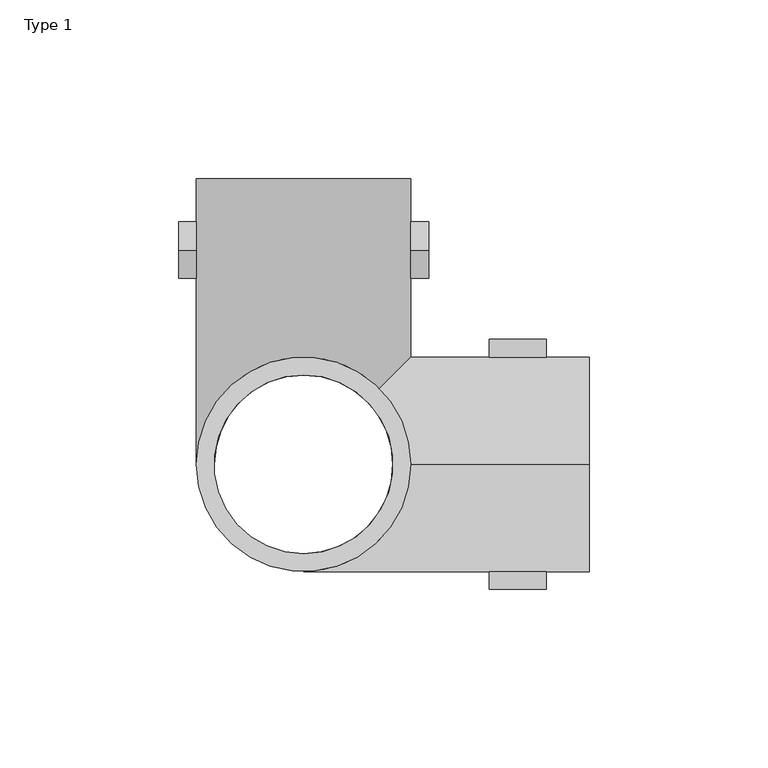
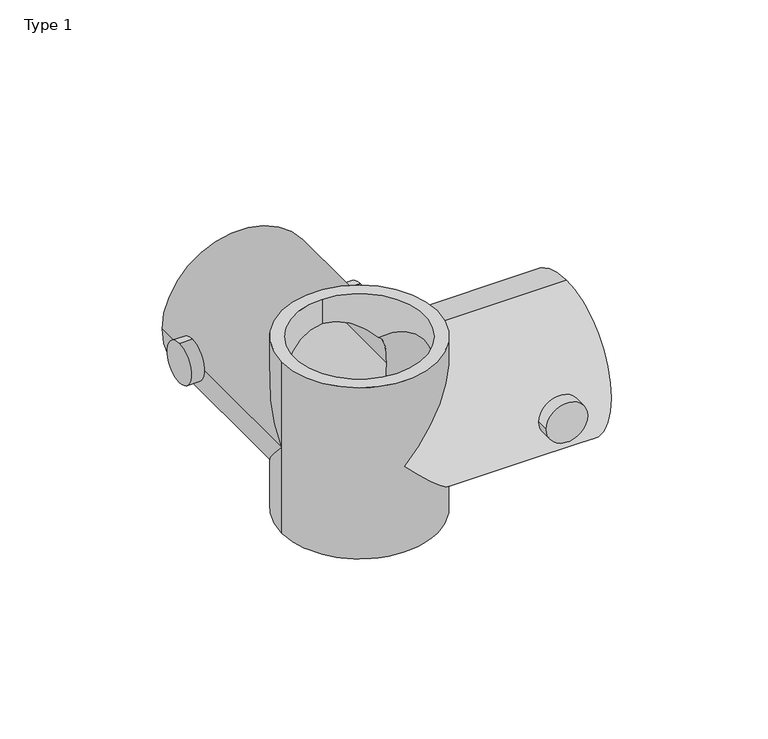
"""IFC4 building model written with IfcOpenShell, lengths in millimetres: proxy geometry, Type 1."""

from ifc_helpers import new_model, si_unit, point, frame, frame_2d, origin, origin_with_axes, place, context, project, spatial, polyline, circle_curve, ellipse_curve, trimmed, segment, composite_curve, outline, extrude, source, transform, mapped, element, save
from ifc_brep_helpers import plane_surface, cylinder_surface, revolved_surface, advanced_brep


def type_1_cea6ad23(model_context):
    return source(origin(), model_context, "Body", "SolidModel", [
        extrude(outline(composite_curve([segment(trimmed(circle_curve(frame_2d((60.0, 35.0)), 8.0), [point((60.0, 43.0))], [point((60.0, 27.0))], False, "CARTESIAN"), True, "CONTINUOUS"), segment(trimmed(circle_curve(frame_2d((60.0, 35.0)), 8.0), [point((60.0, 27.0))], [point((60.0, 43.0))], False, "CARTESIAN"), True, "CONTINUOUS")], self_intersect=False)), frame((30.0, 0.0, 0.0), z_axis=(1.0, 0.0, 0.0), x_axis=(0.0, 1.0, 0.0)), (0.0, 0.0, 1.0), 5.0),
        extrude(outline(composite_curve([segment(trimmed(circle_curve(frame_2d((60.0, 35.0)), 8.0), [point((60.0, 43.0))], [point((60.0, 27.0))], False, "CARTESIAN"), True, "CONTINUOUS"), segment(trimmed(circle_curve(frame_2d((60.0, 35.0)), 8.0), [point((60.0, 27.0))], [point((60.0, 43.0))], False, "CARTESIAN"), True, "CONTINUOUS")], self_intersect=False)), frame((-35.0, 0.0, 0.0), z_axis=(1.0, 0.0, 0.0), x_axis=(0.0, 1.0, 0.0)), (0.0, 0.0, 1.0), 5.0),
        extrude(outline(composite_curve([segment(trimmed(circle_curve(frame_2d((35.0, 60.0)), 8.0), [point((35.0, 52.0))], [point((35.0, 68.0))], False, "CARTESIAN"), True, "CONTINUOUS"), segment(trimmed(circle_curve(frame_2d((35.0, 60.0)), 8.0), [point((35.0, 68.0))], [point((35.0, 52.0))], False, "CARTESIAN"), True, "CONTINUOUS")], self_intersect=False)), frame((0.0, 30.0, 0.0), z_axis=(0.0, 1.0, 0.0), x_axis=(0.0, 0.0, 1.0)), (0.0, 0.0, 1.0), 5.0),
        extrude(outline(composite_curve([segment(trimmed(circle_curve(frame_2d((35.0, 60.0)), 8.0), [point((35.0, 52.0))], [point((35.0, 68.0))], False, "CARTESIAN"), True, "CONTINUOUS"), segment(trimmed(circle_curve(frame_2d((35.0, 60.0)), 8.0), [point((35.0, 68.0))], [point((35.0, 52.0))], False, "CARTESIAN"), True, "CONTINUOUS")], self_intersect=False)), frame((0.0, -35.0, 0.0), z_axis=(0.0, 1.0, 0.0), x_axis=(0.0, 0.0, 1.0)), (0.0, 0.0, 1.0), 5.0),
        advanced_brep(
        [(-30.0, 0.0, 70.0), (30.0, 0.0, 70.0), (0.0, -25.0, 70.0), (0.0, 25.0, 70.0), (-30.0, 0.0, 0.0), (30.0, 0.0, 0.0), (0.0, 25.0, 0.0), (0.0, -25.0, 0.0), (-30.0, 0.0, 35.0), (30.0, 0.0, 5.0), (0.0, -30.0, 35.0), (30.0, 0.0, 65.0), (21.2132034, 21.2132034, 56.2132034), (21.2132034, 21.2132034, 13.7867966), (80.0, 0.0, 5.0), (80.0, 0.0, 65.0), (80.0, 0.0, 60.0), (80.0, 0.0, 10.0), (30.0, 30.0, 35.0), (30.0, 80.0, 35.0), (-30.0, 80.0, 35.0), (-25.0, 80.0, 35.0), (25.0, 80.0, 35.0), (25.0, 0.0, 60.0), (17.6776695, 17.6776695, 52.6776695), (25.0, 25.0, 35.0), (17.6776695, 17.6776695, 17.3223305), (25.0, 0.0, 10.0), (0.0, -25.0, 35.0), (-25.0, 0.0, 35.0), (0.0, 25.0, 10.0), (0.0, 25.0, 60.0)],
        [
            (0, 1, circle_curve(frame((0.0, 0.0, 70.0), z_axis=(0.0, 0.0, 1.0), x_axis=(1.0, 0.0, 0.0)), 30.0)),
            (1, 0, circle_curve(frame((0.0, 0.0, 70.0), z_axis=(0.0, 0.0, 1.0), x_axis=(1.0, 0.0, 0.0)), 30.0)),
            (2, 3, circle_curve(frame((0.0, 0.0, 70.0), z_axis=(0.0, 0.0, -1.0), x_axis=(0.0, 1.0, 0.0)), 25.0)),
            (3, 2, circle_curve(frame((0.0, 0.0, 70.0), z_axis=(0.0, 0.0, -1.0), x_axis=(0.0, 1.0, 0.0)), 25.0)),
            (4, 5, circle_curve(frame((0.0, 0.0, 0.0), z_axis=(0.0, 0.0, -1.0), x_axis=(1.0, 0.0, 0.0)), 30.0)),
            (5, 4, circle_curve(frame((0.0, 0.0, 0.0), z_axis=(0.0, 0.0, -1.0), x_axis=(1.0, 0.0, 0.0)), 30.0)),
            (6, 7, circle_curve(frame((0.0, 0.0, 0.0), z_axis=(0.0, 0.0, 1.0), x_axis=(0.0, 1.0, 0.0)), 25.0)),
            (7, 6, circle_curve(frame((0.0, 0.0, 0.0), z_axis=(0.0, 0.0, 1.0), x_axis=(0.0, 1.0, 0.0)), 25.0)),
            (0, 8),
            (8, 4),
            (5, 9),
            (9, 10, ellipse_curve(frame((0.0, 0.0, 35.0), z_axis=(-0.707106781186548, 0.0, -0.7071067811865469), x_axis=(-0.7071067811865468, 0.0, 0.7071067811865481)), 42.4264069, 30.0)),
            (10, 11, ellipse_curve(frame((0.0, 0.0, 35.0), z_axis=(-0.707106781186547, 0.0, 0.707106781186548), x_axis=(0.707106781186548, 0.0, 0.7071067811865469)), 42.4264069, 30.0)),
            (11, 1),
            (11, 12, ellipse_curve(frame((0.0, 0.0, 35.0), z_axis=(-0.707106781186547, 0.0, 0.707106781186548), x_axis=(0.707106781186548, 0.0, 0.7071067811865469)), 42.4264069, 30.0)),
            (12, 8, ellipse_curve(frame((0.0, 0.0, 35.0), z_axis=(0.0, -0.70710678118655, 0.7071067811865451), x_axis=(0.0, 0.7071067811865452, 0.7071067811865499)), 42.4264069, 30.0)),
            (8, 13, ellipse_curve(frame((0.0, 0.0, 35.0), z_axis=(0.0, -0.7071067811865451, -0.7071067811865499), x_axis=(0.0, -0.70710678118655, 0.7071067811865451)), 42.4264069, 30.0)),
            (13, 9, ellipse_curve(frame((0.0, 0.0, 35.0), z_axis=(-0.707106781186548, 0.0, -0.7071067811865469), x_axis=(-0.7071067811865468, 0.0, 0.7071067811865481)), 42.4264069, 30.0)),
            (14, 15, circle_curve(frame((80.0, 0.0, 35.0), z_axis=(1.0, 0.0, 0.0), x_axis=(0.0, 0.0, 1.0)), 30.0)),
            (15, 14, circle_curve(frame((80.0, 0.0, 35.0), z_axis=(1.0, 0.0, 0.0), x_axis=(0.0, 0.0, 1.0)), 30.0)),
            (16, 17, circle_curve(frame((80.0, 0.0, 35.0), z_axis=(-1.0, 0.0, 0.0), x_axis=(0.0, 0.0, -1.0)), 25.0)),
            (17, 16, circle_curve(frame((80.0, 0.0, 35.0), z_axis=(-1.0, 0.0, 0.0), x_axis=(0.0, 0.0, -1.0)), 25.0)),
            (14, 9),
            (13, 18, ellipse_curve(frame((0.0, 0.0, 35.0), z_axis=(0.7071067811865464, -0.7071067811865487, 0.0), x_axis=(0.7071067811865487, 0.7071067811865464, 0.0)), 42.4264069, 30.0)),
            (18, 12, ellipse_curve(frame((0.0, 0.0, 35.0), z_axis=(0.7071067811865464, -0.7071067811865487, 0.0), x_axis=(0.7071067811865487, 0.7071067811865464, 0.0)), 42.4264069, 30.0)),
            (11, 15),
            (19, 20, circle_curve(frame((0.0, 80.0, 35.0), z_axis=(0.0, 1.0, 0.0), x_axis=(-1.0, 0.0, 0.0)), 30.0)),
            (20, 19, circle_curve(frame((0.0, 80.0, 35.0), z_axis=(0.0, 1.0, 0.0), x_axis=(-1.0, 0.0, 0.0)), 30.0)),
            (21, 22, circle_curve(frame((0.0, 80.0, 35.0), z_axis=(0.0, -1.0, 0.0), x_axis=(1.0, 0.0, 0.0)), 25.0)),
            (22, 21, circle_curve(frame((0.0, 80.0, 35.0), z_axis=(0.0, -1.0, 0.0), x_axis=(1.0, 0.0, 0.0)), 25.0)),
            (19, 18),
            (8, 20),
            (16, 23),
            (23, 24, ellipse_curve(frame((0.0, 0.0, 35.0), z_axis=(-0.707106781186547, 0.0, 0.707106781186548), x_axis=(-0.707106781186548, 0.0, -0.7071067811865469)), 35.3553391, 25.0)),
            (24, 25, ellipse_curve(frame((0.0, 0.0, 35.0), z_axis=(-0.7071067811865464, 0.7071067811865487, 0.0), x_axis=(-0.7071067811865487, -0.7071067811865464, 0.0)), 35.3553391, 25.0)),
            (25, 26, ellipse_curve(frame((0.0, 0.0, 35.0), z_axis=(-0.7071067811865464, 0.7071067811865487, 0.0), x_axis=(-0.7071067811865487, -0.7071067811865464, 0.0)), 35.3553391, 25.0)),
            (26, 27, ellipse_curve(frame((0.0, 0.0, 35.0), z_axis=(-0.707106781186548, 0.0, -0.7071067811865469), x_axis=(-0.707106781186547, 0.0, 0.707106781186548)), 35.3553391, 25.0)),
            (27, 17),
            (27, 28, ellipse_curve(frame((0.0, 0.0, 35.0), z_axis=(-0.707106781186548, 0.0, -0.7071067811865469), x_axis=(-0.707106781186547, 0.0, 0.707106781186548)), 35.3553391, 25.0)),
            (28, 23, ellipse_curve(frame((0.0, 0.0, 35.0), z_axis=(-0.707106781186547, 0.0, 0.707106781186548), x_axis=(-0.707106781186548, 0.0, -0.7071067811865469)), 35.3553391, 25.0)),
            (21, 29),
            (29, 30, ellipse_curve(frame((0.0, 0.0, 35.0), z_axis=(0.0, -0.7071067811865451, -0.7071067811865499), x_axis=(0.0, -0.7071067811865498, 0.7071067811865451)), 35.3553391, 25.0)),
            (30, 26, ellipse_curve(frame((0.0, 0.0, 35.0), z_axis=(0.0, -0.7071067811865451, -0.7071067811865499), x_axis=(0.0, -0.7071067811865498, 0.7071067811865451)), 35.3553391, 25.0)),
            (25, 22),
            (24, 31, ellipse_curve(frame((0.0, 0.0, 35.0), z_axis=(0.0, -0.70710678118655, 0.7071067811865451), x_axis=(0.0, -0.7071067811865449, -0.70710678118655)), 35.3553391, 25.0)),
            (31, 29, ellipse_curve(frame((0.0, 0.0, 35.0), z_axis=(0.0, -0.70710678118655, 0.7071067811865451), x_axis=(0.0, -0.7071067811865449, -0.70710678118655)), 35.3553391, 25.0)),
            (2, 28),
            (28, 7),
            (6, 30),
            (31, 3),
        ],
        [
            plane_surface(frame((30.0, 0.0, 70.0), z_axis=(0.0, 0.0, 1.0), x_axis=(0.0, 1.0, 0.0))),
            plane_surface(frame((30.0, 0.0, 0.0), z_axis=(0.0, 0.0, -1.0), x_axis=(0.0, -1.0, 0.0))),
            cylinder_surface(origin_with_axes(), 30.0),
            plane_surface(frame((80.0, 0.0, 65.0), z_axis=(1.0, 0.0, 0.0), x_axis=(0.0, -1.0, 0.0))),
            cylinder_surface(frame((0.0, 0.0, 35.0), z_axis=(1.0, 0.0, 0.0), x_axis=(0.0, 0.0, 1.0)), 30.0),
            plane_surface(frame((-30.0, 80.0, 35.0), z_axis=(0.0, 1.0, 0.0), x_axis=(0.0, 0.0, 1.0))),
            cylinder_surface(frame((0.0, 0.0, 35.0), z_axis=(0.0, 1.0, 0.0), x_axis=(-1.0, 0.0, 0.0)), 30.0),
            revolved_surface(polyline([(-25.000000028759928, 0.0, 10.0), (80.0, 0.0, 10.0)]), (80.0, 0.0, 35.0), (-1.0, 0.0, 0.0)),
            revolved_surface(polyline([(-25.0000000287599, 0.0, 10.0), (80.0, 0.0, 10.0)]), (80.0, 0.0, 35.0), (-1.0, 0.0, 0.0)),
            revolved_surface(polyline([(25.0, -25.00000002875997, 35.0), (25.0, 80.0, 35.0)]), (0.0, 80.0, 35.0), (0.0, -1.0, 0.0)),
            revolved_surface(polyline([(25.0, -25.000000028759843, 35.0), (25.0, 80.0, 35.0)]), (0.0, 80.0, 35.0), (0.0, -1.0, 0.0)),
            revolved_surface(polyline([(0.0, 25.0, 0.0), (0.0, 25.0, 70.0)]), (0.0, 0.0, 70.0), (0.0, 0.0, -1.0)),
            revolved_surface(polyline([(0.0, 25.0, 9.999999971240022), (0.0, 25.0, 70.0)]), (0.0, 0.0, 70.0), (0.0, 0.0, -1.0)),
            revolved_surface(polyline([(0.0, 25.0, 0.0), (0.0, 25.0, 60.00000002875991)]), (0.0, 0.0, 70.0), (0.0, 0.0, -1.0)),
        ],
        [
            (0, [[1, 2], [3, 4]]),
            (1, [[5, 6], [7, 8]]),
            (2, [[-1, 9, 10, -6, 11, 12, 13, 14]]),
            (2, [[-2, -14, 15, 16, -9]]),
            (2, [[-5, -10, 17, 18, -11]]),
            (3, [[19, 20], [21, 22]]),
            (4, [[-19, 23, -18, 24, 25, -15, 26]]),
            (4, [[-20, -26, -13, -12, -23]]),
            (5, [[27, 28], [29, 30]]),
            (6, [[-27, 31, -24, -17, 32]]),
            (6, [[-28, -32, -16, -25, -31]]),
            (7, [[-21, 33, 34, 35, 36, 37, 38]]),
            (8, [[-22, -38, 39, 40, -33]]),
            (9, [[41, 42, 43, -36, 44, -29]]),
            (10, [[-41, -30, -44, -35, 45, 46]]),
            (11, [[47, 48, -7, 49, -42, -46, 50, -3]]),
            (12, [[-47, -4, -50, -45, -34, -40]]),
            (13, [[-48, -39, -37, -43, -49, -8]]),
        ],
    ),
    ])


if __name__ == "__main__":
    model = new_model("IFC4")
    model_context = context("Model", 3, world=origin())
    ifc_project = project(units=[si_unit("LENGTHUNIT", "METRE", prefix="MILLI")], contexts=[model_context])
    site = spatial("IfcSite", under=ifc_project)
    building = spatial("IfcBuilding", under=site)
    placement = place(None, origin())
    type_1_shape = type_1_cea6ad23(model_context)
    element("IfcBuildingElementProxy", 1, Name="Type 1", ObjectType="Type 1", at=placement, inside=building, context=model_context, shape_type="MappedRepresentation", body=[
        mapped(type_1_shape, transform((0.0, 0.0, 0.0), x_axis=(1.0, 0.0, 0.0), y_axis=(0.0, 1.0, 0.0), z_axis=(0.0, 0.0, 1.0))),
    ])
    save(model, "model.ifc")
